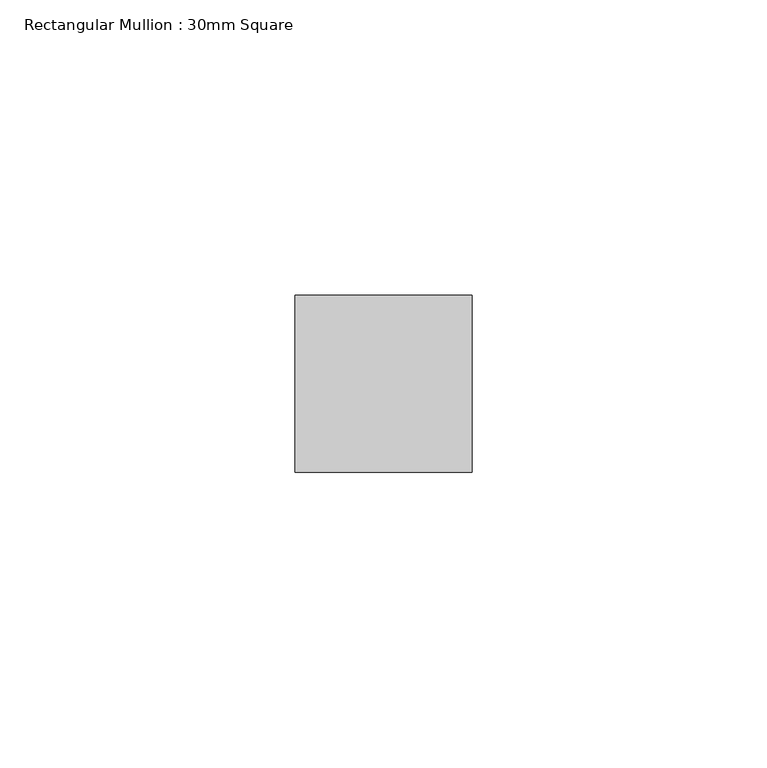
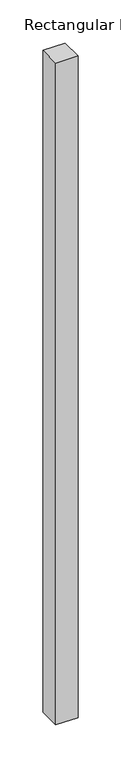
"""IFC4 building model written with IfcOpenShell, lengths in millimetres: member geometry, Rectangular Mullion : 30mm Square."""

from ifc_helpers import new_model, si_unit, frame, origin, place, context, project, spatial, polyline, outline, extrude, source, transform, mapped, element, save


def rectangular_mullion_30mm_square_03ca8faf(model_context):
    return source(origin(), model_context, "Body", "SweptSolid", [
        extrude(outline(polyline([(15.0, 15.0), (15.0, -15.0), (-15.0, -15.0), (-15.0, 15.0), (15.0, 15.0)])), frame((0.0, 0.0, -937.9609166), z_axis=(0.0, 0.0, 1.0), x_axis=(1.0, 0.0, 0.0)), (0.0, 0.0, 1.0), 937.9609166),
    ])


if __name__ == "__main__":
    model = new_model("IFC4")
    model_context = context("Model", 3, world=origin())
    ifc_project = project(units=[si_unit("LENGTHUNIT", "METRE", prefix="MILLI")], contexts=[model_context])
    site = spatial("IfcSite", under=ifc_project)
    building = spatial("IfcBuilding", under=site)
    placement = place(None, origin())
    rectangular_mullion_30mm_square_shape = rectangular_mullion_30mm_square_03ca8faf(model_context)
    element("IfcMember", 1, ObjectType="Rectangular Mullion : 30mm Square", at=placement, inside=building, context=model_context, shape_type="MappedRepresentation", body=[
        mapped(rectangular_mullion_30mm_square_shape, transform((0.0, 0.0, 0.0), x_axis=(1.0, 0.0, 0.0), y_axis=(0.0, 1.0, 0.0), z_axis=(0.0, 0.0, 1.0))),
    ])
    save(model, "model.ifc")
